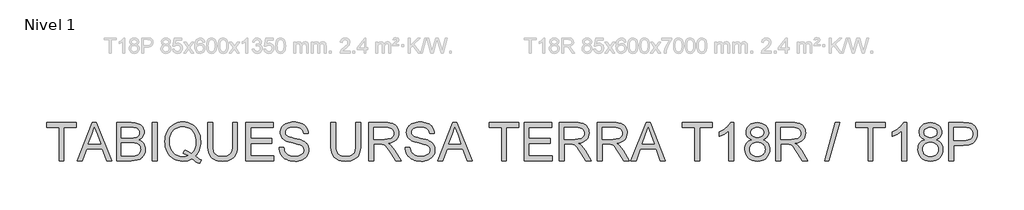
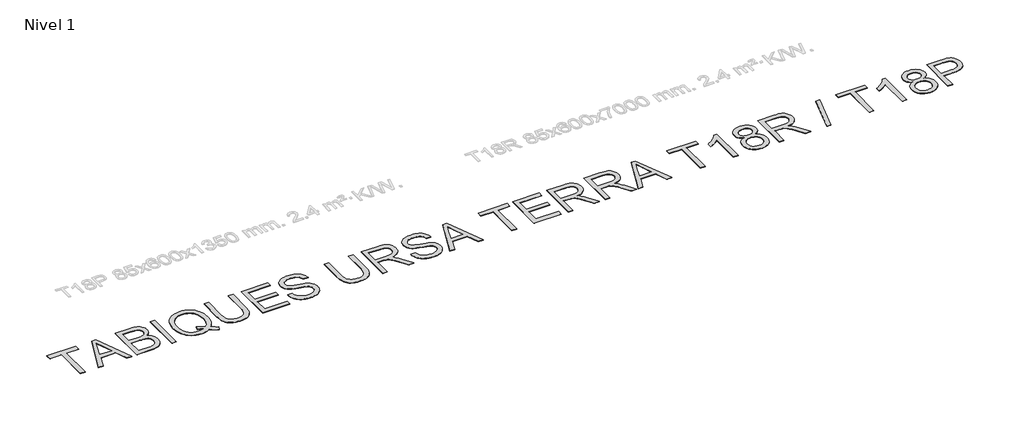
# One storey, part 4 of 7: 1 proxy.
"""IFC4 building model written with IfcOpenShell, lengths in millimetres."""

from ifc_helpers import new_model, si_unit, origin, origin_with_axes, place, context, project, spatial, polyline, outline, extrude, element, save

model = new_model("IFC4")

# Units and contexts
model_context = context("Model", 3, world=origin())
ifc_project = project(units=[si_unit("LENGTHUNIT", "METRE", prefix="MILLI")], contexts=[model_context])

# Site, building, storey
site = spatial("IfcSite", under=ifc_project)
building = spatial("IfcBuilding", under=site)
storey = spatial("IfcBuildingStorey", under=building, Name="Nivel 1", Elevation=0.0)

# Proxy
placement = place(None, origin())
element("IfcBuildingElementProxy", 1, Name="Texto de modelo 2", ObjectType="Texto de modelo 2", at=placement, inside=storey, context=model_context, shape_type="SweptSolid", body=[
    extrude(outline(polyline([(-27173.1909827, -40.3961662), (-27173.1909827, 838.5965476), (-27502.8132504, 838.5965476), (-27502.8132504, 964.1669353), (-26717.9983274, 964.1669353), (-26717.9983274, 838.5965476), (-27047.6205951, 838.5965476), (-27047.6205951, -40.3961662), (-27173.1909827, -40.3961662)])), origin_with_axes(), (0.0, 0.0, 1.0), 10.0),
    extrude(outline(polyline([(-26693.7181157, -40.3961662), (-26292.726741, 964.1669353), (-26185.7957077, 964.1669353), (-25784.8043329, -40.3961662), (-25917.4871059, -40.3961662), (-26032.511543, 273.529803), (-26446.2561603, 273.529803), (-26561.0353428, -40.3961662), (-26693.7181157, -40.3961662)]), holes=[polyline([(-26400.1482835, 399.1001907), (-26078.3741651, 399.1001907), (-26168.8731359, 646.0716368), (-26239.2612243, 838.5965476), (-26301.8011635, 667.6540472), (-26400.1482835, 399.1001907)])]), origin_with_axes(), (0.0, 0.0, 1.0), 10.0),
    extrude(outline(polyline([(-25650.650032, -40.3961662), (-25650.650032, 964.1669353), (-25267.3169931, 964.1669353), (-25211.7131623, 962.3198611), (-25161.8881446, 956.7786386), (-25117.8419399, 947.5432676), (-25079.5745482, 934.6137484), (-25046.112615, 917.8521249), (-25016.482786, 897.1204417), (-24990.6850611, 872.4186985), (-24968.7194403, 843.7468955), (-24951.1760677, 812.7221806), (-24938.6450872, 780.9617017), (-24931.1264989, 748.4654588), (-24928.6203028, 715.2334519), (-24930.7279601, 684.5382979), (-24937.0509319, 654.7475205), (-24947.5892182, 625.8611197), (-24962.3428191, 597.8790954), (-24981.3577197, 571.6751675), (-25004.6799053, 548.1230556), (-25032.309376, 527.2227597), (-25064.2461317, 508.9742799), (-25026.346622, 492.818129), (-24993.0916225, 471.8181984), (-24964.4811332, 445.9744883), (-24940.515154, 415.2869985), (-24921.5768955, 380.6907625), (-24908.0495679, 343.1208138), (-24899.9331714, 302.5771522), (-24897.2277059, 259.0597779), (-24899.0747801, 223.398217), (-24904.6160026, 189.0089146), (-24913.8513736, 155.8918709), (-24926.7808929, 124.0470856), (-24942.4388703, 94.6318544), (-24959.8596156, 68.8034727), (-24979.0431288, 46.5619404), (-24999.9894099, 27.9072576), (-25023.1889682, 12.0730034), (-25049.1323131, -1.707243), (-25109.2503625, -23.1057124), (-25182.3055953, -36.0735528), (-25270.260049, -40.3961662), (-25650.650032, -40.3961662)]), holes=[polyline([(-25525.0796443, 556.0631753), (-25295.766534, 556.0631753), (-25215.5682591, 558.7609766), (-25161.8574878, 566.8543805), (-25136.7725342, 575.0014339), (-25114.9831902, 585.4630781), (-25096.4894558, 598.2393132), (-25081.2913308, 613.3301392), (-25069.4348007, 630.6282572), (-25060.9658506, 650.0263682), (-25055.8844805, 671.5244723), (-25054.1906905, 695.1225695), (-25055.7695174, 717.7166554), (-25060.5059981, 738.9005269), (-25068.4001326, 758.6741842), (-25079.4519209, 777.0376271), (-25093.4467651, 793.3087412), (-25110.1700675, 806.8054119), (-25129.6218279, 817.5276392), (-25151.8020466, 825.4754231), (-25215.6908864, 835.3162665), (-25313.1796151, 838.5965476), (-25525.0796443, 838.5965476), (-25525.0796443, 556.0631753)]), polyline([(-25525.0796443, 85.1742215), (-25267.5622477, 85.1742215), (-25211.1536751, 86.4004948), (-25174.3654756, 90.0793148), (-25131.1086843, 100.9624904), (-25095.5161013, 117.4252097), (-25066.576051, 141.0003143), (-25043.276858, 173.2206457), (-25027.9177847, 212.6453328), (-25022.7980936, 257.8335046), (-25024.3002784, 284.9954585), (-25028.8068329, 310.3180025), (-25036.3177569, 333.8011366), (-25046.8330506, 355.4448606), (-25060.7129317, 374.6283738), (-25078.317618, 390.7308753), (-25099.6471096, 403.7523651), (-25124.7014063, 413.6928432), (-25154.5841542, 421.0428189), (-25190.3989992, 426.2928015), (-25279.8249809, 430.4927876), (-25525.0796443, 430.4927876), (-25525.0796443, 85.1742215)])]), origin_with_axes(), (0.0, 0.0, 1.0), 10.0),
    extrude(outline(polyline([(-24708.8721244, -40.3961662), (-24708.8721244, 964.1669353), (-24583.3017367, 964.1669353), (-24583.3017367, -40.3961662), (-24708.8721244, -40.3961662)])), origin_with_axes(), (0.0, 0.0, 1.0), 10.0),
    extrude(outline(polyline([(-23577.5123619, 80.0238736), (-23496.3943819, 18.0357574), (-23458.2726102, -5.7386166), (-23421.7756506, -24.6998677), (-23455.6207941, -116.6703665), (-23507.4461702, -95.3485392), (-23559.1795758, -68.6617662), (-23610.8210109, -36.6100473), (-23662.3704754, 0.8066173), (-23719.0089743, -24.0867311), (-23778.5598722, -41.8676942), (-23841.0231693, -52.536272), (-23906.3988656, -56.0924647), (-23972.1731006, -51.9921133), (-24034.8509956, -39.691059), (-24094.4325504, -19.189302), (-24150.917765, 9.5131578), (-24202.6894916, 45.6422354), (-24248.1305823, 88.4238458), (-24287.2410369, 137.8579889), (-24320.0208555, 193.9446647), (-24345.9335435, 255.235338), (-24364.4426064, 320.2814732), (-24375.5480441, 389.0830705), (-24379.2498567, 461.6401299), (-24375.5557083, 534.0439051), (-24364.4732632, 603.1214139), (-24346.0025214, 668.8726563), (-24320.1434828, 731.2976324), (-24287.4632989, 788.4343047), (-24248.5291211, 838.3206361), (-24203.3409493, 880.9566265), (-24151.8987837, 916.3422759), (-24095.7048089, 944.132695), (-24036.2612099, 963.9829943), (-23973.5679865, 975.8931739), (-23907.6251389, 979.8632338), (-23841.1228041, 975.8012034), (-23777.9773924, 963.6151123), (-23718.188904, 943.3049605), (-23661.7573388, 914.8707479), (-23610.2615237, 879.1248807), (-23565.2802855, 836.879765), (-23526.8136244, 788.1354006), (-23494.8615403, 732.8917877), (-23469.7535941, 672.5284836), (-23451.8193469, 608.425046), (-23441.0587985, 540.5814747), (-23437.4719491, 468.9977698), (-23439.6485842, 409.4775287), (-23446.1784896, 353.0536276), (-23457.0616653, 299.7260668), (-23472.2981113, 249.494846), (-23491.9338128, 202.3906222), (-23516.014755, 158.4440522), (-23544.5409381, 117.655136), (-23577.5123619, 80.0238736)]), holes=[polyline([(-23871.817958, 247.0422994), (-23816.4823746, 229.03141), (-23766.2358254, 207.1271029), (-23721.0783105, 181.329378), (-23681.0098299, 151.6382353), (-23653.3611987, 179.1374144), (-23629.3990516, 209.8862179), (-23609.1233887, 243.8846456), (-23592.53421, 281.1326976), (-23579.6315155, 321.6303739), (-23570.4153051, 365.3776745), (-23564.8855788, 412.3745994), (-23563.0423367, 462.6211485), (-23565.6481675, 519.7424925), (-23573.4656599, 573.1390313), (-23586.4948139, 622.8107648), (-23604.7356295, 668.7576932), (-23627.9965015, 710.3743439), (-23656.0858247, 747.0552445), (-23689.003599, 778.800395), (-23726.7498246, 805.6097954), (-23768.1288848, 826.9086301), (-23811.9451633, 842.1220834), (-23858.19866, 851.2501554), (-23906.8893749, 854.2928461), (-23943.4936334, 852.7542563), (-23978.5037366, 848.1384869), (-24011.9196845, 840.4455378), (-24043.7414771, 829.6754092), (-24073.9691144, 815.828101), (-24102.6025963, 798.9036132), (-24129.641923, 778.9019457), (-24155.0870943, 755.8230987), (-24178.1946821, 729.6900647), (-24198.2212582, 700.5258363), (-24215.1668226, 668.3304136), (-24229.0313753, 633.1037965), (-24239.8149163, 594.845985), (-24247.5174456, 553.5569792), (-24252.1389632, 509.2367791), (-24253.679469, 461.8853845), (-24252.1562076, 415.8675623), (-24247.5864235, 372.6050228), (-24239.9701165, 332.0977663), (-24229.3072868, 294.3457926), (-24215.5979344, 259.3491017), (-24198.8420591, 227.1076938), (-24179.0396611, 197.6215686), (-24156.1907403, 170.8907264), (-24130.9735792, 147.1221006), (-24104.0664601, 126.5226249), (-24075.4693831, 109.0922993), (-24045.1823483, 94.8311239), (-24013.2053555, 83.7390985), (-23979.5384047, 75.8162232), (-23944.1814961, 71.0624981), (-23907.1346296, 69.477923), (-23871.7413159, 71.0874068), (-23837.4209915, 75.9158579), (-23804.1736562, 83.9632766), (-23771.99931, 95.2296627), (-23836.3173455, 128.6456106), (-23904.1915736, 150.9024713), (-23871.817958, 247.0422994)])]), origin_with_axes(), (0.0, 0.0, 1.0), 10.0),
    extrude(outline(polyline([(-22589.8718322, 964.1669353), (-22464.3014445, 964.1669353), (-22464.3014445, 384.6301656), (-22466.4320944, 312.8701839), (-22472.824044, 248.9123662), (-22483.4772935, 192.7567125), (-22498.3918427, 144.4032227), (-22518.8552787, 102.0201512), (-22546.1551884, 63.7757521), (-22580.2915719, 29.6700255), (-22621.2644291, -0.2970287), (-22669.1197453, -24.7075319), (-22723.9035057, -42.1436057), (-22785.6157104, -52.6052499), (-22854.2563594, -56.0924647), (-22921.2032183, -53.0574382), (-22981.7581275, -43.9523588), (-23035.9210871, -28.7772265), (-23083.692097, -7.5320413), (-23125.0788215, 19.4689643), (-23160.0889247, 51.9115578), (-23188.7224066, 89.7957391), (-23210.9792674, 133.1215082), (-23227.6642487, 183.3757216), (-23239.5820925, 242.0452356), (-23246.7327988, 309.1300503), (-23249.1163675, 384.6301656), (-23249.1163675, 964.1669353), (-23123.5459798, 964.1669353), (-23123.5459798, 389.0447495), (-23121.9978098, 328.3365561), (-23117.3532996, 276.1969475), (-23109.6124493, 232.6259237), (-23098.7752588, 197.6234847), (-23084.1672779, 168.6604418), (-23065.1140563, 143.2076062), (-23041.6155938, 121.2649781), (-23013.6718906, 102.8325573), (-22981.8194412, 88.2399048), (-22946.5947402, 77.8165816), (-22907.9977875, 71.5625877), (-22866.0285832, 69.477923), (-22796.8207829, 73.6012671), (-22738.3122172, 85.9712991), (-22690.5028863, 106.5880193), (-22670.6104338, 119.9888874), (-22653.39279, 135.4514275), (-22638.5050655, 153.8455273), (-22625.6023709, 176.0410743), (-22605.7520716, 231.8365102), (-22593.841892, 302.8377353), (-22589.8718322, 389.0447495), (-22589.8718322, 964.1669353)])), origin_with_axes(), (0.0, 0.0, 1.0), 10.0),
    extrude(outline(polyline([(-22244.553266, -40.3961662), (-22244.553266, 964.1669353), (-21522.5235368, 964.1669353), (-21522.5235368, 838.5965476), (-22118.9828783, 838.5965476), (-22118.9828783, 540.3668769), (-21553.9161337, 540.3668769), (-21553.9161337, 414.7964892), (-22118.9828783, 414.7964892), (-22118.9828783, 85.1742215), (-21506.8272384, 85.1742215), (-21506.8272384, -40.3961662), (-22244.553266, -40.3961662)])), origin_with_axes(), (0.0, 0.0, 1.0), 10.0),
    extrude(outline(polyline([(-21365.5605522, 304.9223999), (-21239.9901645, 304.9223999), (-21234.2420084, 268.3717909), (-21225.5814531, 235.2394187), (-21214.0084986, 205.5252834), (-21199.5231451, 179.2293849), (-21181.3896284, 155.822893), (-21158.8721846, 134.7769772), (-21131.9708137, 116.0916375), (-21100.6855157, 99.766874), (-21066.1659218, 86.5154579), (-21029.5616633, 77.0501608), (-20990.8727401, 71.3709825), (-20950.0991523, 69.477923), (-20880.1402596, 75.2107508), (-20848.4257659, 82.3767855), (-20818.8879074, 92.4092341), (-20792.2547838, 104.9478787), (-20769.2544949, 119.6325017), (-20749.8870407, 136.463103), (-20734.1524212, 155.4396826), (-20721.9739943, 175.7421702), (-20713.2751179, 196.5504955), (-20708.0557921, 217.8646586), (-20706.3160169, 239.6846595), (-20711.5276785, 281.7151774), (-20727.1626633, 318.0435244), (-20740.3144446, 334.1613543), (-20758.9231422, 349.0375825), (-20782.988756, 362.672209), (-20812.5112861, 375.0652337), (-20878.8220158, 394.7775773), (-20995.3486377, 423.0125204), (-21115.3701387, 454.7423425), (-21159.1710887, 470.0324379), (-21192.1655052, 484.9393229), (-21225.6964162, 504.9429064), (-21254.6747875, 527.1844387), (-21279.1006191, 551.6639198), (-21298.9739111, 578.3813497), (-21314.3713054, 607.0608169), (-21325.3694442, 637.4264099), (-21331.9683275, 669.4781287), (-21334.1679553, 703.2159734), (-21331.4471614, 740.6096454), (-21323.2847796, 776.7617156), (-21309.68081, 811.6721841), (-21290.6352525, 845.3410509), (-21266.3627051, 876.3964226), (-21237.0777654, 903.4664061), (-21202.7804336, 926.5510013), (-21163.4707095, 945.6502082), (-21120.4745013, 960.6184069), (-21075.117717, 971.3099774), (-21027.4003566, 977.7249197), (-20977.32242, 979.8632338), (-20922.6919437, 977.625285), (-20871.3724054, 970.9114385), (-20823.363805, 959.7216945), (-20778.6661426, 944.0560529), (-20738.1071526, 924.0524694), (-20702.5145696, 899.8488998), (-20671.8883935, 871.4453441), (-20646.2286243, 838.8418023), (-20625.7345315, 802.9886362), (-20610.6053844, 764.8362076), (-20600.8411832, 724.3845165), (-20596.4419276, 681.633563), (-20722.0123153, 681.633563), (-20730.4122875, 721.7020436), (-20745.0662537, 756.5588627), (-20765.9742137, 786.2040201), (-20793.1361677, 810.637516), (-20827.0579534, 829.7367229), (-20868.2454084, 843.3790135), (-20916.6985329, 851.5643879), (-20972.4173267, 854.2928461), (-21029.9142169, 851.5950448), (-21079.0417916, 843.5016409), (-21119.800051, 830.0126344), (-21152.188995, 811.1280253), (-21176.8677455, 788.4266405), (-21194.4954245, 763.4873069), (-21205.0720318, 736.3100245), (-21208.5975676, 706.8947933), (-21206.0990357, 681.5875778), (-21198.6034401, 658.6409383), (-21186.1107807, 638.054875), (-21168.6210575, 619.8293878), (-21141.0912215, 602.5695909), (-21097.7424597, 585.1258529), (-21038.5747722, 567.498174), (-20963.5881588, 549.6865541), (-20825.1419013, 516.0253515), (-20776.4281938, 500.804234), (-20741.3874337, 486.6561056), (-20702.8901158, 465.2116509), (-20669.8037288, 441.1000518), (-20642.1282729, 414.3213083), (-20619.863748, 384.8754202), (-20602.749571, 352.9156719), (-20590.5251589, 318.5953474), (-20583.1905116, 281.9144468), (-20580.7456292, 242.8729701), (-20583.5583936, 203.5939029), (-20591.9966869, 165.4644669), (-20606.060509, 128.4846622), (-20625.7498599, 92.6544887), (-20650.7198503, 59.3611682), (-20680.6255909, 29.9919222), (-20715.4670815, 4.5467509), (-20755.2443222, -16.9743458), (-20798.8000176, -34.0885228), (-20844.9768722, -46.312935), (-20893.774886, -53.6475822), (-20945.1940591, -56.0924647), (-21009.4277883, -53.455977), (-21068.2199296, -45.5465141), (-21121.5704831, -32.364076), (-21169.4794488, -13.9086625), (-21212.2380665, 9.850383), (-21250.1375762, 38.9437174), (-21283.1779779, 73.3713408), (-21311.3592716, 113.1332531), (-21334.0606564, 156.9418674), (-21350.6613314, 203.5095966), (-21361.1612967, 252.8364408), (-21365.5605522, 304.9223999)])), origin_with_axes(), (0.0, 0.0, 1.0), 10.0),
    extrude(outline(polyline([(-19340.7380508, 964.1669353), (-19215.1676631, 964.1669353), (-19215.1676631, 384.6301656), (-19217.298313, 312.8701839), (-19223.6902626, 248.9123662), (-19234.3435121, 192.7567125), (-19249.2580613, 144.4032227), (-19269.7214973, 102.0201512), (-19297.021407, 63.7757521), (-19331.1577905, 29.6700255), (-19372.1306477, -0.2970287), (-19419.9859639, -24.7075319), (-19474.7697243, -42.1436057), (-19536.481929, -52.6052499), (-19605.122578, -56.0924647), (-19672.0694369, -53.0574382), (-19732.6243461, -43.9523588), (-19786.7873057, -28.7772265), (-19834.5583156, -7.5320413), (-19875.9450401, 19.4689643), (-19910.9551433, 51.9115578), (-19939.5886252, 89.7957391), (-19961.845486, 133.1215082), (-19978.5304673, 183.3757216), (-19990.4483111, 242.0452356), (-19997.5990174, 309.1300503), (-19999.9825861, 384.6301656), (-19999.9825861, 964.1669353), (-19874.4121984, 964.1669353), (-19874.4121984, 389.0447495), (-19872.8640284, 328.3365561), (-19868.2195182, 276.1969475), (-19860.4786679, 232.6259237), (-19849.6414774, 197.6234847), (-19835.0334965, 168.6604418), (-19815.9802749, 143.2076062), (-19792.4818124, 121.2649781), (-19764.5381092, 102.8325573), (-19732.6856598, 88.2399048), (-19697.4609588, 77.8165816), (-19658.8640061, 71.5625877), (-19616.8948018, 69.477923), (-19547.6870015, 73.6012671), (-19489.1784358, 85.9712991), (-19441.3691049, 106.5880193), (-19421.4766524, 119.9888874), (-19404.2590086, 135.4514275), (-19389.3712841, 153.8455273), (-19376.4685895, 176.0410743), (-19356.6182902, 231.8365102), (-19344.7081106, 302.8377353), (-19340.7380508, 389.0447495), (-19340.7380508, 964.1669353)])), origin_with_axes(), (0.0, 0.0, 1.0), 10.0),
    extrude(outline(polyline([(-18995.4194846, -40.3961662), (-18995.4194846, 964.1669353), (-18562.5450036, 964.1669353), (-18500.4112675, 962.4731453), (-18446.2023227, 957.3917752), (-18399.9181691, 948.9228251), (-18361.5588069, 937.066295), (-18328.8939514, 920.910144), (-18299.6933181, 899.5423315), (-18273.9569068, 872.9628573), (-18251.6847177, 841.1717216), (-18233.7121494, 805.8780427), (-18220.8746006, 768.790939), (-18213.1720713, 729.9104107), (-18210.6045616, 689.2364576), (-18214.8581971, 637.6410077), (-18227.6191039, 590.2762009), (-18248.8872817, 547.1420369), (-18278.6627307, 508.2385159), (-18317.3286612, 474.8072396), (-18365.2682837, 448.0898097), (-18422.4815982, 428.0862262), (-18488.9686046, 414.7964892), (-18447.5818801, 387.7571625), (-18417.5994975, 361.0857179), (-18366.1573319, 300.0786203), (-18315.8188122, 231.8365102), (-18148.3098771, -40.3961662), (-18294.2364018, -40.3961662), (-18424.9571374, 167.8250431), (-18477.2576944, 247.287554), (-18519.3801829, 305.6581639), (-18554.4822566, 345.8492719), (-18585.7215693, 370.7732771), (-18615.3054131, 385.3965864), (-18645.4410799, 394.6856068), (-18718.2817149, 399.1001907), (-18869.8490969, 399.1001907), (-18869.8490969, -40.3961662), (-18995.4194846, -40.3961662)]), holes=[polyline([(-18869.8490969, 524.6705784), (-18588.7872526, 524.6705784), (-18508.0678115, 529.1158192), (-18445.4359018, 542.4515415), (-18420.2513136, 552.6755953), (-18398.2856928, 565.5667935), (-18379.5390394, 581.1251362), (-18364.0113536, 599.3506234), (-18351.8329267, 619.3465427), (-18343.1340503, 640.2161817), (-18337.9147245, 661.9595405), (-18336.1749493, 684.576619), (-18339.4935514, 716.6896515), (-18349.4493579, 745.8289712), (-18366.0423688, 771.9945781), (-18389.2725839, 795.1864722), (-18419.676498, 814.1783802), (-18457.7906055, 827.7440288), (-18503.6149065, 835.8834179), (-18557.149401, 838.5965476), (-18869.8490969, 838.5965476), (-18869.8490969, 524.6705784)])]), origin_with_axes(), (0.0, 0.0, 1.0), 10.0),
    extrude(outline(polyline([(-18037.9452785, 304.9223999), (-17912.3748908, 304.9223999), (-17906.6267346, 268.3717909), (-17897.9661793, 235.2394187), (-17886.3932249, 205.5252834), (-17871.9078714, 179.2293849), (-17853.7743547, 155.822893), (-17831.2569109, 134.7769772), (-17804.35554, 116.0916375), (-17773.070242, 99.766874), (-17738.5506481, 86.5154579), (-17701.9463896, 77.0501608), (-17663.2574664, 71.3709825), (-17622.4838786, 69.477923), (-17552.5249859, 75.2107508), (-17520.8104922, 82.3767855), (-17491.2726337, 92.4092341), (-17464.6395101, 104.9478787), (-17441.6392212, 119.6325017), (-17422.271767, 136.463103), (-17406.5371475, 155.4396826), (-17394.3587206, 175.7421702), (-17385.6598442, 196.5504955), (-17380.4405184, 217.8646586), (-17378.7007432, 239.6846595), (-17383.9124048, 281.7151774), (-17399.5473895, 318.0435244), (-17412.6991709, 334.1613543), (-17431.3078685, 349.0375825), (-17455.3734823, 362.672209), (-17484.8960124, 375.0652337), (-17551.2067421, 394.7775773), (-17667.733364, 423.0125204), (-17787.754865, 454.7423425), (-17831.555815, 470.0324379), (-17864.5502315, 484.9393229), (-17898.0811425, 504.9429064), (-17927.0595138, 527.1844387), (-17951.4853454, 551.6639198), (-17971.3586374, 578.3813497), (-17986.7560317, 607.0608169), (-17997.7541705, 637.4264099), (-18004.3530538, 669.4781287), (-18006.5526816, 703.2159734), (-18003.8318877, 740.6096454), (-17995.6695059, 776.7617156), (-17982.0655363, 811.6721841), (-17963.0199788, 845.3410509), (-17938.7474314, 876.3964226), (-17909.4624917, 903.4664061), (-17875.1651599, 926.5510013), (-17835.8554358, 945.6502082), (-17792.8592276, 960.6184069), (-17747.5024433, 971.3099774), (-17699.7850829, 977.7249197), (-17649.7071463, 979.8632338), (-17595.07667, 977.625285), (-17543.7571317, 970.9114385), (-17495.7485313, 959.7216945), (-17451.0508689, 944.0560529), (-17410.4918789, 924.0524694), (-17374.8992959, 899.8488998), (-17344.2731198, 871.4453441), (-17318.6133506, 838.8418023), (-17298.1192578, 802.9886362), (-17282.9901107, 764.8362076), (-17273.2259095, 724.3845165), (-17268.8266539, 681.633563), (-17394.3970416, 681.633563), (-17402.7970138, 721.7020436), (-17417.45098, 756.5588627), (-17438.35894, 786.2040201), (-17465.520894, 810.637516), (-17499.4426797, 829.7367229), (-17540.6301347, 843.3790135), (-17589.0832591, 851.5643879), (-17644.802053, 854.2928461), (-17702.2989432, 851.5950448), (-17751.4265179, 843.5016409), (-17792.1847773, 830.0126344), (-17824.5737213, 811.1280253), (-17849.2524718, 788.4266405), (-17866.8801508, 763.4873069), (-17877.4567581, 736.3100245), (-17880.9822939, 706.8947933), (-17878.483762, 681.5875778), (-17870.9881664, 658.6409383), (-17858.4955069, 638.054875), (-17841.0057838, 619.8293878), (-17813.4759478, 602.5695909), (-17770.127186, 585.1258529), (-17710.9594985, 567.498174), (-17635.9728851, 549.6865541), (-17497.5266276, 516.0253515), (-17448.8129201, 500.804234), (-17413.77216, 486.6561056), (-17375.2748421, 465.2116509), (-17342.1884551, 441.1000518), (-17314.5129992, 414.3213083), (-17292.2484743, 384.8754202), (-17275.1342973, 352.9156719), (-17262.9098852, 318.5953474), (-17255.5752379, 281.9144468), (-17253.1303555, 242.8729701), (-17255.9431199, 203.5939029), (-17264.3814132, 165.4644669), (-17278.4452353, 128.4846622), (-17298.1345862, 92.6544887), (-17323.1045766, 59.3611682), (-17353.0103172, 29.9919222), (-17387.8518078, 4.5467509), (-17427.6290485, -16.9743458), (-17471.1847439, -34.0885228), (-17517.3615985, -46.312935), (-17566.1596123, -53.6475822), (-17617.5787854, -56.0924647), (-17681.8125146, -53.455977), (-17740.6046559, -45.5465141), (-17793.9552094, -32.364076), (-17841.8641751, -13.9086625), (-17884.6227928, 9.850383), (-17922.5223025, 38.9437174), (-17955.5627042, 73.3713408), (-17983.7439979, 113.1332531), (-18006.4453827, 156.9418674), (-18023.0460577, 203.5095966), (-18033.546023, 252.8364408), (-18037.9452785, 304.9223999)])), origin_with_axes(), (0.0, 0.0, 1.0), 10.0),
    extrude(outline(polyline([(-17181.7612484, -40.3961662), (-16780.7698737, 964.1669353), (-16673.8388404, 964.1669353), (-16272.8474657, -40.3961662), (-16405.5302386, -40.3961662), (-16520.5546757, 273.529803), (-16934.299293, 273.529803), (-17049.0784755, -40.3961662), (-17181.7612484, -40.3961662)]), holes=[polyline([(-16888.1914163, 399.1001907), (-16566.4172978, 399.1001907), (-16656.9162686, 646.0716368), (-16727.304357, 838.5965476), (-16789.8442962, 667.6540472), (-16888.1914163, 399.1001907)])]), origin_with_axes(), (0.0, 0.0, 1.0), 10.0),
    extrude(outline(polyline([(-15495.1449278, -40.3961662), (-15495.1449278, 838.5965476), (-15824.7671955, 838.5965476), (-15824.7671955, 964.1669353), (-15039.9522725, 964.1669353), (-15039.9522725, 838.5965476), (-15369.5745402, 838.5965476), (-15369.5745402, -40.3961662), (-15495.1449278, -40.3961662)])), origin_with_axes(), (0.0, 0.0, 1.0), 10.0),
    extrude(outline(polyline([(-14898.6855863, -40.3961662), (-14898.6855863, 964.1669353), (-14176.6558571, 964.1669353), (-14176.6558571, 838.5965476), (-14773.1151986, 838.5965476), (-14773.1151986, 540.3668769), (-14208.0484541, 540.3668769), (-14208.0484541, 414.7964892), (-14773.1151986, 414.7964892), (-14773.1151986, 85.1742215), (-14160.9595587, 85.1742215), (-14160.9595587, -40.3961662), (-14898.6855863, -40.3961662)])), origin_with_axes(), (0.0, 0.0, 1.0), 10.0),
    extrude(outline(polyline([(-13972.6039771, -40.3961662), (-13972.6039771, 964.1669353), (-13539.7294962, 964.1669353), (-13477.59576, 962.4731453), (-13423.3868152, 957.3917752), (-13377.1026617, 948.9228251), (-13338.7432995, 937.066295), (-13306.078444, 920.910144), (-13276.8778106, 899.5423315), (-13251.1413994, 872.9628573), (-13228.8692102, 841.1717216), (-13210.8966419, 805.8780427), (-13198.0590931, 768.790939), (-13190.3565639, 729.9104107), (-13187.7890541, 689.2364576), (-13192.0426897, 637.6410077), (-13204.8035964, 590.2762009), (-13226.0717742, 547.1420369), (-13255.8472232, 508.2385159), (-13294.5131537, 474.8072396), (-13342.4527762, 448.0898097), (-13399.6660907, 428.0862262), (-13466.1530971, 414.7964892), (-13424.7663727, 387.7571625), (-13394.7839901, 361.0857179), (-13343.3418244, 300.0786203), (-13293.0033047, 231.8365102), (-13125.4943696, -40.3961662), (-13271.4208943, -40.3961662), (-13402.14163, 167.8250431), (-13454.4421869, 247.287554), (-13496.5646754, 305.6581639), (-13531.6667491, 345.8492719), (-13562.9060618, 370.7732771), (-13592.4899056, 385.3965864), (-13622.6255724, 394.6856068), (-13695.4662074, 399.1001907), (-13847.0335895, 399.1001907), (-13847.0335895, -40.3961662), (-13972.6039771, -40.3961662)]), holes=[polyline([(-13847.0335895, 524.6705784), (-13565.9717451, 524.6705784), (-13485.252304, 529.1158192), (-13422.6203944, 542.4515415), (-13397.4358061, 552.6755953), (-13375.4701853, 565.5667935), (-13356.723532, 581.1251362), (-13341.1958461, 599.3506234), (-13329.0174192, 619.3465427), (-13320.3185429, 640.2161817), (-13315.0992171, 661.9595405), (-13313.3594418, 684.576619), (-13316.678044, 716.6896515), (-13326.6338504, 745.8289712), (-13343.2268613, 771.9945781), (-13366.4570764, 795.1864722), (-13396.8609905, 814.1783802), (-13434.975098, 827.7440288), (-13480.799399, 835.8834179), (-13534.3338936, 838.5965476), (-13847.0335895, 838.5965476), (-13847.0335895, 524.6705784)])]), origin_with_axes(), (0.0, 0.0, 1.0), 10.0),
    extrude(outline(polyline([(-12968.0408756, -40.3961662), (-12968.0408756, 964.1669353), (-12535.1663947, 964.1669353), (-12473.0326585, 962.4731453), (-12418.8237137, 957.3917752), (-12372.5395602, 948.9228251), (-12334.180198, 937.066295), (-12301.5153425, 920.910144), (-12272.3147091, 899.5423315), (-12246.5782979, 872.9628573), (-12224.3061087, 841.1717216), (-12206.3335404, 805.8780427), (-12193.4959916, 768.790939), (-12185.7934624, 729.9104107), (-12183.2259526, 689.2364576), (-12187.4795882, 637.6410077), (-12200.2404949, 590.2762009), (-12221.5086727, 547.1420369), (-12251.2841217, 508.2385159), (-12289.9500522, 474.8072396), (-12337.8896747, 448.0898097), (-12395.1029892, 428.0862262), (-12461.5899956, 414.7964892), (-12420.2032712, 387.7571625), (-12390.2208886, 361.0857179), (-12338.7787229, 300.0786203), (-12288.4402032, 231.8365102), (-12120.9312681, -40.3961662), (-12266.8577928, -40.3961662), (-12397.5785285, 167.8250431), (-12449.8790854, 247.287554), (-12492.0015739, 305.6581639), (-12527.1036476, 345.8492719), (-12558.3429604, 370.7732771), (-12587.9268041, 385.3965864), (-12618.0624709, 394.6856068), (-12690.9031059, 399.1001907), (-12842.470488, 399.1001907), (-12842.470488, -40.3961662), (-12968.0408756, -40.3961662)]), holes=[polyline([(-12842.470488, 524.6705784), (-12561.4086436, 524.6705784), (-12480.6892025, 529.1158192), (-12418.0572929, 542.4515415), (-12392.8727046, 552.6755953), (-12370.9070838, 565.5667935), (-12352.1604305, 581.1251362), (-12336.6327446, 599.3506234), (-12324.4543177, 619.3465427), (-12315.7554414, 640.2161817), (-12310.5361156, 661.9595405), (-12308.7963403, 684.576619), (-12312.1149425, 716.6896515), (-12322.0707489, 745.8289712), (-12338.6637598, 771.9945781), (-12361.8939749, 795.1864722), (-12392.297889, 814.1783802), (-12430.4119965, 827.7440288), (-12476.2362976, 835.8834179), (-12529.7707921, 838.5965476), (-12842.470488, 838.5965476), (-12842.470488, 524.6705784)])]), origin_with_axes(), (0.0, 0.0, 1.0), 10.0),
    extrude(outline(polyline([(-12080.4642486, -40.3961662), (-11679.4728739, 964.1669353), (-11572.5418406, 964.1669353), (-11171.5504659, -40.3961662), (-11304.2332388, -40.3961662), (-11419.257676, 273.529803), (-11833.0022932, 273.529803), (-11947.7814757, -40.3961662), (-12080.4642486, -40.3961662)]), holes=[polyline([(-11786.8944165, 399.1001907), (-11465.120298, 399.1001907), (-11555.6192688, 646.0716368), (-11626.0073572, 838.5965476), (-11688.5472964, 667.6540472), (-11786.8944165, 399.1001907)])]), origin_with_axes(), (0.0, 0.0, 1.0), 10.0),
    extrude(outline(polyline([(-10393.8479281, -40.3961662), (-10393.8479281, 838.5965476), (-10723.4701957, 838.5965476), (-10723.4701957, 964.1669353), (-9938.6552727, 964.1669353), (-9938.6552727, 838.5965476), (-10268.2775404, 838.5965476), (-10268.2775404, -40.3961662), (-10393.8479281, -40.3961662)])), origin_with_axes(), (0.0, 0.0, 1.0), 10.0),
    extrude(outline(polyline([(-9373.5885281, -40.3961662), (-9499.1589158, -40.3961662), (-9499.1589158, 742.4567195), (-9551.5821001, 700.0583196), (-9618.1074276, 657.7212333), (-9687.943693, 620.718436), (-9750.2996912, 594.3229028), (-9750.2996912, 713.0261599), (-9699.3403706, 738.5786302), (-9651.6766596, 766.6756176), (-9607.3085582, 797.3171221), (-9566.2360662, 830.5031437), (-9529.6854572, 864.7008409), (-9498.8830043, 898.3773718), (-9473.8287076, 931.5327366), (-9454.522567, 964.1669353), (-9373.5885281, 964.1669353), (-9373.5885281, -40.3961662)])), origin_with_axes(), (0.0, 0.0, 1.0), 10.0),
    extrude(outline(polyline([(-8892.3988784, 512.8983545), (-8928.5202918, 527.9815163), (-8959.629313, 546.0077341), (-8985.7259421, 566.9770078), (-9006.8101789, 590.8893375), (-9023.0659646, 617.5147969), (-9034.67724, 646.6234598), (-9041.6440053, 678.2153261), (-9043.9662604, 712.2903959), (-9038.907883, 763.5026353), (-9023.7327507, 810.453575), (-8998.4408635, 853.1432148), (-8963.0322215, 891.5715549), (-8919.2082788, 923.3320338), (-8868.6704897, 946.0180902), (-8811.4188542, 959.629724), (-8747.4533723, 964.1669353), (-8683.1813221, 959.5224251), (-8625.5004909, 945.5888945), (-8574.4108788, 922.3663436), (-8529.9124858, 889.8547723), (-8493.8600503, 850.6753398), (-8468.1083106, 807.4492054), (-8452.6572668, 760.176369), (-8447.5069189, 708.8568306), (-8449.7985172, 675.9850415), (-8456.673312, 645.305216), (-8468.1313033, 616.817354), (-8484.1724911, 590.5214555), (-8504.8735175, 566.7700742), (-8530.3110247, 545.9157636), (-8560.4850125, 527.9585237), (-8595.395481, 512.8983545), (-8554.1237196, 495.3396535), (-8518.1096052, 473.0751286), (-8487.3531375, 446.1047798), (-8461.8543167, 414.4286072), (-8441.843069, 378.7517178), (-8427.5493207, 339.779219), (-8418.9730717, 297.5111106), (-8416.114322, 251.9473926), (-8421.7858361, 189.315483), (-8438.8003784, 131.8952349), (-8467.1579488, 79.6866484), (-8506.8585475, 32.6897235), (-8530.4413162, 11.8813982), (-8555.8175097, -6.1524838), (-8582.9871278, -21.4119224), (-8611.9501708, -33.8969176), (-8675.2565308, -50.5435779), (-8745.7365897, -56.0924647), (-8816.2166486, -50.5205853), (-8879.5230086, -33.8049471), (-8908.4860515, -21.2682185), (-8935.6556697, -5.9455502), (-8961.0318631, 12.1630578), (-8984.6146319, 33.0576055), (-9024.3152305, 80.3840913), (-9052.672801, 133.2134787), (-9069.6873433, 191.5457676), (-9075.3588573, 255.3809579), (-9072.3851446, 303.0216763), (-9063.4640062, 346.6156927), (-9048.5954422, 386.1630072), (-9027.7794526, 421.6636197), (-9001.47589, 452.4737368), (-8970.1446067, 477.949565), (-8933.7856029, 498.0911042), (-8892.3988784, 512.8983545)]), holes=[polyline([(-8918.3958727, 708.611576), (-8915.6137652, 679.8248099), (-8907.2674424, 653.7971587), (-8893.3569044, 630.5286225), (-8873.8821513, 610.0192013), (-8849.0884377, 593.2805705), (-8819.2210182, 581.3244056), (-8784.2798929, 574.1507067), (-8744.2650617, 571.7594738), (-8705.2389134, 574.1353783), (-8671.0565447, 581.263092), (-8641.7179555, 593.1426147), (-8617.223146, 609.7739466), (-8597.9093413, 629.8541722), (-8584.1137665, 652.0803761), (-8575.8364216, 676.4525582), (-8573.0773066, 702.9707187), (-8575.9283921, 730.5235473), (-8584.4816485, 755.7924419), (-8598.7370758, 778.7774024), (-8618.694674, 799.4784288), (-8643.7413065, 816.5926058), (-8673.2638366, 828.8170179), (-8707.2622643, 836.1516652), (-8745.7365897, 838.5965476), (-8784.5098191, 836.2053146), (-8818.6691952, 829.0316157), (-8848.214718, 817.0754509), (-8873.1463873, 800.3368201), (-8892.9430372, 780.2565945), (-8907.0835014, 758.2756453), (-8915.5677799, 734.3939725), (-8918.3958727, 708.611576)]), polyline([(-8949.7884697, 259.7955419), (-8944.5461512, 211.7562847), (-8928.8191959, 165.2498691), (-8916.3188723, 143.6751229), (-8899.7871752, 124.6908791), (-8879.2241045, 108.2971377), (-8854.6296602, 94.4938987), (-8800.551007, 75.7319169), (-8744.755571, 69.477923), (-8699.3528014, 72.7658684), (-8659.2843208, 82.6297044), (-8624.5501291, 99.069431), (-8595.1502263, 122.0850483), (-8571.7590628, 150.1743715), (-8555.0510888, 181.8352157), (-8545.0263045, 217.067581), (-8541.6847097, 255.8714672), (-8545.1336034, 295.2961544), (-8555.4802845, 331.1646489), (-8572.724753, 363.4769508), (-8596.867009, 392.2330601), (-8627.0639894, 415.8388215), (-8662.4726314, 432.7000796), (-8703.0929351, 442.8168345), (-8748.9249003, 446.1890861), (-8793.6608838, 442.8628197), (-8833.200534, 432.8840206), (-8867.5438511, 416.2526887), (-8896.690835, 392.9688241), (-8919.9210502, 364.6878957), (-8936.514061, 333.0653726), (-8946.4698675, 298.1012546), (-8949.7884697, 259.7955419)])]), origin_with_axes(), (0.0, 0.0, 1.0), 10.0),
    extrude(outline(polyline([(-8259.1513374, -40.3961662), (-8259.1513374, 964.1669353), (-7826.2768564, 964.1669353), (-7764.1431202, 962.4731453), (-7709.9341754, 957.3917752), (-7663.6500219, 948.9228251), (-7625.2906597, 937.066295), (-7592.6258042, 920.910144), (-7563.4251708, 899.5423315), (-7537.6887596, 872.9628573), (-7515.4165705, 841.1717216), (-7497.4440022, 805.8780427), (-7484.6064534, 768.790939), (-7476.9039241, 729.9104107), (-7474.3364143, 689.2364576), (-7478.5900499, 637.6410077), (-7491.3509566, 590.2762009), (-7512.6191345, 547.1420369), (-7542.3945834, 508.2385159), (-7581.060514, 474.8072396), (-7629.0001365, 448.0898097), (-7686.2134509, 428.0862262), (-7752.7004574, 414.7964892), (-7711.3137329, 387.7571625), (-7681.3313503, 361.0857179), (-7629.8891846, 300.0786203), (-7579.550665, 231.8365102), (-7412.0417298, -40.3961662), (-7557.9682546, -40.3961662), (-7688.6889902, 167.8250431), (-7740.9895472, 247.287554), (-7783.1120356, 305.6581639), (-7818.2141093, 345.8492719), (-7849.4534221, 370.7732771), (-7879.0372659, 385.3965864), (-7909.1729326, 394.6856068), (-7982.0135677, 399.1001907), (-8133.5809497, 399.1001907), (-8133.5809497, -40.3961662), (-8259.1513374, -40.3961662)]), holes=[polyline([(-8133.5809497, 524.6705784), (-7852.5191054, 524.6705784), (-7771.7996643, 529.1158192), (-7709.1677546, 542.4515415), (-7683.9831663, 552.6755953), (-7662.0175455, 565.5667935), (-7643.2708922, 581.1251362), (-7627.7432063, 599.3506234), (-7615.5647794, 619.3465427), (-7606.8659031, 640.2161817), (-7601.6465773, 661.9595405), (-7599.906802, 684.576619), (-7603.2254042, 716.6896515), (-7613.1812107, 745.8289712), (-7629.7742215, 771.9945781), (-7653.0044367, 795.1864722), (-7683.4083507, 814.1783802), (-7721.5224583, 827.7440288), (-7767.3467593, 835.8834179), (-7820.8812538, 838.5965476), (-8133.5809497, 838.5965476), (-8133.5809497, 524.6705784)])]), origin_with_axes(), (0.0, 0.0, 1.0), 10.0),
    extrude(outline(polyline([(-6972.0548636, -40.3961662), (-6689.5214913, 964.1669353), (-6576.2138368, 964.1669353), (-6858.7472091, -40.3961662), (-6972.0548636, -40.3961662)])), origin_with_axes(), (0.0, 0.0, 1.0), 10.0),
    extrude(outline(polyline([(-5826.2250759, -40.3961662), (-5826.2250759, 838.5965476), (-6155.8473436, 838.5965476), (-6155.8473436, 964.1669353), (-5371.0324206, 964.1669353), (-5371.0324206, 838.5965476), (-5700.6546883, 838.5965476), (-5700.6546883, -40.3961662), (-5826.2250759, -40.3961662)])), origin_with_axes(), (0.0, 0.0, 1.0), 10.0),
    extrude(outline(polyline([(-4805.965676, -40.3961662), (-4931.5360637, -40.3961662), (-4931.5360637, 742.4567195), (-4983.959248, 700.0583196), (-5050.4845755, 657.7212333), (-5120.3208409, 620.718436), (-5182.6768391, 594.3229028), (-5182.6768391, 713.0261599), (-5131.7175185, 738.5786302), (-5084.0538075, 766.6756176), (-5039.6857061, 797.3171221), (-4998.6132141, 830.5031437), (-4962.0626051, 864.7008409), (-4931.2601522, 898.3773718), (-4906.2058555, 931.5327366), (-4886.8997149, 964.1669353), (-4805.965676, 964.1669353), (-4805.965676, -40.3961662)])), origin_with_axes(), (0.0, 0.0, 1.0), 10.0),
    extrude(outline(polyline([(-4324.7760263, 512.8983545), (-4360.8974397, 527.9815163), (-4392.0064609, 546.0077341), (-4418.10309, 566.9770078), (-4439.1873268, 590.8893375), (-4455.4431125, 617.5147969), (-4467.0543879, 646.6234598), (-4474.0211532, 678.2153261), (-4476.3434083, 712.2903959), (-4471.2850309, 763.5026353), (-4456.1098986, 810.453575), (-4430.8180114, 853.1432148), (-4395.4093694, 891.5715549), (-4351.5854267, 923.3320338), (-4301.0476376, 946.0180902), (-4243.7960021, 959.629724), (-4179.8305202, 964.1669353), (-4115.55847, 959.5224251), (-4057.8776388, 945.5888945), (-4006.7880267, 922.3663436), (-3962.2896337, 889.8547723), (-3926.2371982, 850.6753398), (-3900.4854585, 807.4492054), (-3885.0344147, 760.176369), (-3879.8840668, 708.8568306), (-3882.1756651, 675.9850415), (-3889.0504598, 645.305216), (-3900.5084512, 616.817354), (-3916.549639, 590.5214555), (-3937.2506654, 566.7700742), (-3962.6881725, 545.9157636), (-3992.8621604, 527.9585237), (-4027.7726289, 512.8983545), (-3986.5008675, 495.3396535), (-3950.486753, 473.0751286), (-3919.7302854, 446.1047798), (-3894.2314646, 414.4286072), (-3874.2202169, 378.7517178), (-3859.9264686, 339.779219), (-3851.3502195, 297.5111106), (-3848.4914699, 251.9473926), (-3854.162984, 189.315483), (-3871.1775262, 131.8952349), (-3899.5350967, 79.6866484), (-3939.2356954, 32.6897235), (-3962.8184641, 11.8813982), (-3988.1946575, -6.1524838), (-4015.3642757, -21.4119224), (-4044.3273186, -33.8969176), (-4107.6336786, -50.5435779), (-4178.1137376, -56.0924647), (-4248.5937965, -50.5205853), (-4311.9001565, -33.8049471), (-4340.8631994, -21.2682185), (-4368.0328176, -5.9455502), (-4393.409011, 12.1630578), (-4416.9917798, 33.0576055), (-4456.6923784, 80.3840913), (-4485.0499489, 133.2134787), (-4502.0644911, 191.5457676), (-4507.7360052, 255.3809579), (-4504.7622924, 303.0216763), (-4495.8411541, 346.6156927), (-4480.9725901, 386.1630072), (-4460.1566005, 421.6636197), (-4433.8530379, 452.4737368), (-4402.5217546, 477.949565), (-4366.1627508, 498.0911042), (-4324.7760263, 512.8983545)]), holes=[polyline([(-4382.1656175, 259.7955419), (-4376.9232991, 211.7562847), (-4361.1963438, 165.2498691), (-4348.6960202, 143.6751229), (-4332.164323, 124.6908791), (-4311.6012523, 108.2971377), (-4287.0068081, 94.4938987), (-4232.9281548, 75.7319169), (-4177.1327189, 69.477923), (-4131.7299493, 72.7658684), (-4091.6614687, 82.6297044), (-4056.927277, 99.069431), (-4027.5273742, 122.0850483), (-4004.1362107, 150.1743715), (-3987.4282367, 181.8352157), (-3977.4034524, 217.067581), (-3974.0618576, 255.8714672), (-3977.5107513, 295.2961544), (-3987.8574324, 331.1646489), (-4005.1019009, 363.4769508), (-4029.2441568, 392.2330601), (-4059.4411373, 415.8388215), (-4094.8497793, 432.7000796), (-4135.4700829, 442.8168345), (-4181.3020482, 446.1890861), (-4226.0380316, 442.8628197), (-4265.5776819, 432.8840206), (-4299.920999, 416.2526887), (-4329.0679829, 392.9688241), (-4352.2981981, 364.6878957), (-4368.8912089, 333.0653726), (-4378.8470154, 298.1012546), (-4382.1656175, 259.7955419)]), polyline([(-4350.7730206, 708.611576), (-4347.990913, 679.8248099), (-4339.6445903, 653.7971587), (-4325.7340523, 630.5286225), (-4306.2592992, 610.0192013), (-4281.4655856, 593.2805705), (-4251.5981661, 581.3244056), (-4216.6570408, 574.1507067), (-4176.6422096, 571.7594738), (-4137.6160613, 574.1353783), (-4103.4336925, 581.263092), (-4074.0951034, 593.1426147), (-4049.6002939, 609.7739466), (-4030.2864892, 629.8541722), (-4016.4909143, 652.0803761), (-4008.2135695, 676.4525582), (-4005.4544545, 702.9707187), (-4008.3055399, 730.5235473), (-4016.8587963, 755.7924419), (-4031.1142237, 778.7774024), (-4051.0718219, 799.4784288), (-4076.1184544, 816.5926058), (-4105.6409845, 828.8170179), (-4139.6394122, 836.1516652), (-4178.1137376, 838.5965476), (-4216.886967, 836.2053146), (-4251.0463431, 829.0316157), (-4280.5918658, 817.0754509), (-4305.5235352, 800.3368201), (-4325.3201851, 780.2565945), (-4339.4606493, 758.2756453), (-4347.9449278, 734.3939725), (-4350.7730206, 708.611576)])]), origin_with_axes(), (0.0, 0.0, 1.0), 10.0),
    extrude(outline(polyline([(-3691.5284853, -40.3961662), (-3691.5284853, 964.1669353), (-3319.2319062, 964.1669353), (-3232.5343826, 961.7757023), (-3169.1360521, 954.6020034), (-3134.1949268, 947.0680867), (-3102.2121858, 936.7290698), (-3073.1878293, 923.5849527), (-3047.1218571, 907.6357354), (-3023.7383577, 888.5518569), (-3002.7614198, 866.0037563), (-2984.1910433, 839.9914335), (-2968.0272281, 810.5148886), (-2954.9367604, 778.5474761), (-2945.5864264, 745.0625503), (-2939.976226, 710.0601113), (-2938.1061591, 673.5401591), (-2943.1568724, 611.8739397), (-2958.309012, 555.1434703), (-2983.5625782, 503.3487511), (-3018.9175708, 456.489782), (-3041.1533549, 435.6814566), (-3067.4550015, 417.6475746), (-3097.8225106, 402.388136), (-3132.2558821, 389.9031408), (-3170.7551161, 380.192589), (-3213.3202126, 373.2564805), (-3310.6479929, 367.7075938), (-3565.9580976, 367.7075938), (-3565.9580976, -40.3961662), (-3691.5284853, -40.3961662)]), holes=[polyline([(-3565.9580976, 493.2779815), (-3303.290353, 493.2779815), (-3242.8963922, 496.1597238), (-3191.9447358, 504.8049507), (-3150.435384, 519.2136621), (-3118.3683368, 539.3858582), (-3094.4406787, 564.7850443), (-3077.3494943, 594.8747258), (-3067.0947837, 629.6549028), (-3063.6765468, 669.1255752), (-3065.6922336, 698.4335074), (-3071.7392939, 725.5341478), (-3081.8177277, 750.4274961), (-3095.9275351, 773.1135525), (-3113.3176236, 792.8565529), (-3133.2369008, 808.9207333), (-3155.6853667, 821.3060938), (-3180.6630213, 830.0126344), (-3229.1008173, 836.4505693), (-3306.233409, 838.5965476), (-3565.9580976, 838.5965476), (-3565.9580976, 493.2779815)])]), origin_with_axes(), (0.0, 0.0, 1.0), 10.0),
])

save(model, "model.ifc")
